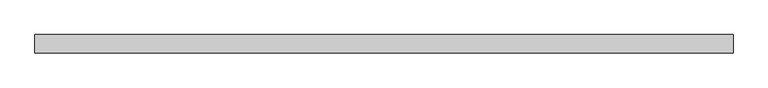
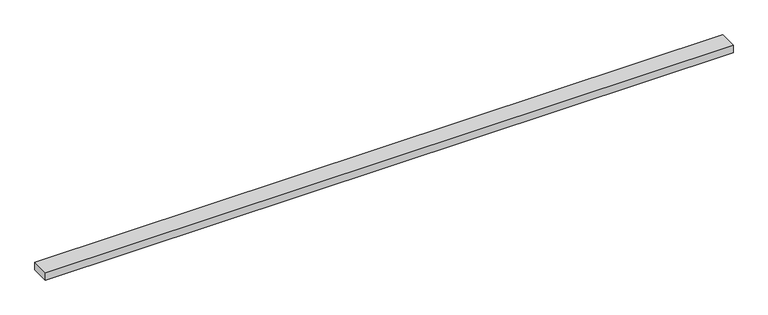
"""IFC4 building model written with IfcOpenShell, lengths in millimetres: beam geometry."""

from ifc_helpers import new_model, si_unit, frame, origin, place, context, project, spatial, polyline, outline, extrude, source, transform, mapped, element, save


def beam_4b04c632(model_context):
    return source(origin(), model_context, "Body", "SweptSolid", [
        extrude(outline(polyline([(950.0, 25.0), (950.0, -25.0), (-950.0, -25.0), (-950.0, 25.0), (950.0, 25.0)])), frame((0.0, 0.0, -11.0), z_axis=(0.0, 0.0, 1.0), x_axis=(1.0, 0.0, 0.0)), (0.0, 0.0, 1.0), 22.0),
    ])


if __name__ == "__main__":
    model = new_model("IFC4")
    model_context = context("Model", 3, world=origin())
    ifc_project = project(units=[si_unit("LENGTHUNIT", "METRE", prefix="MILLI")], contexts=[model_context])
    site = spatial("IfcSite", under=ifc_project)
    building = spatial("IfcBuilding", under=site)
    placement = place(None, origin())
    beam_shape = beam_4b04c632(model_context)
    element("IfcBeam", 1, at=placement, inside=building, context=model_context, shape_type="MappedRepresentation", body=[
        mapped(beam_shape, transform((0.0, 0.0, 0.0), x_axis=(1.0, 0.0, 0.0), y_axis=(0.0, 1.0, 0.0), z_axis=(0.0, 0.0, 1.0))),
    ])
    save(model, "model.ifc")
